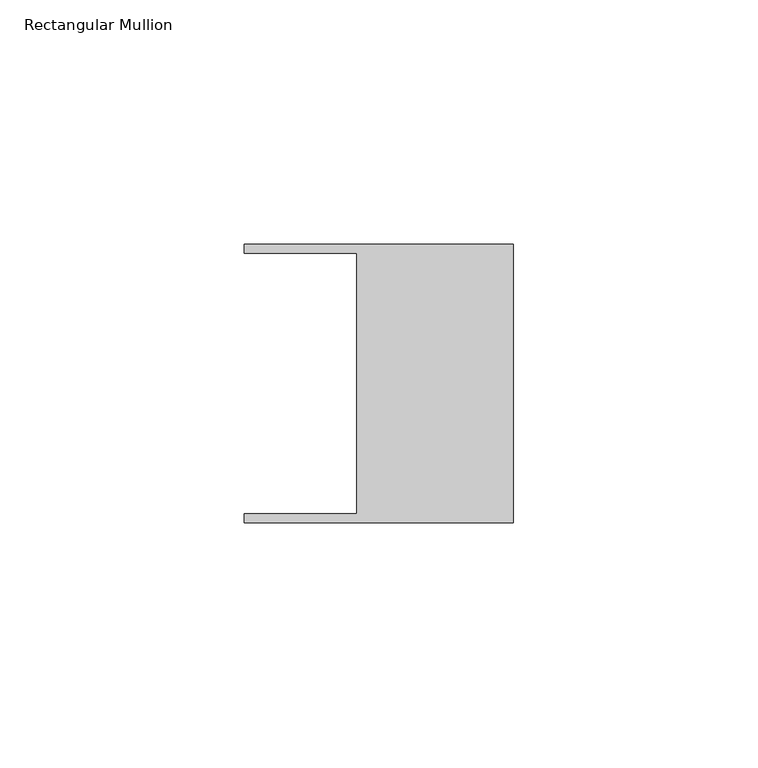
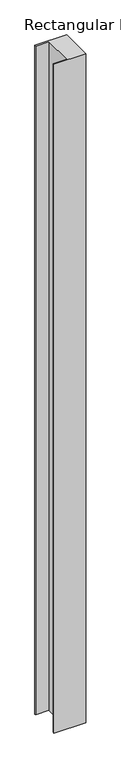
"""IFC4 building model written with IfcOpenShell, lengths in millimetres: member geometry, Rectangular Mullion."""

import ifcopenshell
import ifcopenshell.guid

model = None  # the IFC model being written
_history = None  # IfcOwnerHistory: only IFC2X3 demands one
_inside = {}  # id of a spatial element -> (the spatial element, [elements in it])
_under = {}  # id of a project, library or spatial element -> (it, [spatial elements below it])
_declared = {}  # id of a project -> (the project, [libraries it declares])
_typed = {}  # id of a type object -> (the type object, [elements of that type])
_made_of = {}  # id of a material, layer set ... -> (it, [elements and type objects made of it])


def new_model(schema):
    """Start an empty IFC model of exactly this schema.

    Asked for "IFC4X3", IfcOpenShell would pick the latest addendum, in which some entities
    have other attributes; the version numbers below select the first issue.
    IFC2X3 requires an IfcOwnerHistory on every rooted entity: one is made here for all.
    """
    global model, _history
    if schema == "IFC4X3":
        model = ifcopenshell.file(schema_version=(4, 3, 0, 0))
    else:
        model = ifcopenshell.file(schema=schema)
    _inside.clear()
    _under.clear()
    _declared.clear()
    _typed.clear()
    _made_of.clear()
    _history = None
    if model.schema == "IFC2X3":
        org = make("IfcOrganization", Name="unknown")
        user = make(
            "IfcPersonAndOrganization",
            ThePerson=make("IfcPerson", FamilyName="unknown"),
            TheOrganization=org,
        )
        app = make(
            "IfcApplication",
            ApplicationDeveloper=org,
            Version="unknown",
            ApplicationFullName="unknown",
            ApplicationIdentifier="unknown",
        )
        _history = make(
            "IfcOwnerHistory",
            OwningUser=user,
            OwningApplication=app,
            ChangeAction="ADDED",
            CreationDate=0,
        )
    return model


def make(cls, **values):
    """One entity of the class cls with the attributes given. An attribute that is None is left unset."""
    return model.create_entity(
        cls, **{name: value for name, value in values.items() if value is not None}
    )


def rooted(cls, **values):
    """An entity with a GlobalId (a new one), such as an element, a storey or a relation."""
    return make(cls, GlobalId=ifcopenshell.guid.new(), OwnerHistory=_history, **values)


def si_unit(unit_type, name, prefix=None):
    """IfcSIUnit, for example si_unit("LENGTHUNIT", "METRE", prefix="MILLI")."""
    return make("IfcSIUnit", UnitType=unit_type, Prefix=prefix, Name=name)


def assignment(units):
    """IfcUnitAssignment: the units of a project."""
    return None if units is None else make("IfcUnitAssignment", Units=units)


def point(xyz):
    """IfcCartesianPoint."""
    return None if xyz is None else make("IfcCartesianPoint", Coordinates=xyz)


def direction(xyz):
    """IfcDirection."""
    return None if xyz is None else make("IfcDirection", DirectionRatios=xyz)


def frame(location, z_axis=None, x_axis=None):
    """IfcAxis2Placement3D, a coordinate frame: its origin and axes. An axis left out is left unset."""
    return make(
        "IfcAxis2Placement3D",
        Location=point(location),
        Axis=direction(z_axis),
        RefDirection=direction(x_axis),
    )


def origin():
    """The frame at (0, 0, 0) with its axes left unset."""
    return frame((0.0, 0.0, 0.0))


def place(relative_to, where):
    """IfcLocalPlacement: puts the frame where relative to a parent placement (None: the world)."""
    return make(
        "IfcLocalPlacement", PlacementRelTo=relative_to, RelativePlacement=where
    )


def context(
    kind, dimensions, precision=None, world=None, true_north=None, identifier=None
):
    """IfcGeometricRepresentationContext, for example the 3D "Model" context."""
    return make(
        "IfcGeometricRepresentationContext",
        ContextIdentifier=identifier,
        ContextType=kind,
        CoordinateSpaceDimension=dimensions,
        Precision=precision,
        WorldCoordinateSystem=world,
        TrueNorth=true_north,
    )


def project(units=None, contexts=None):
    """IfcProject with its units and contexts."""
    return rooted(
        "IfcProject",
        Name="project",
        RepresentationContexts=contexts,
        UnitsInContext=assignment(units),
    )


def spatial(cls, under=None, at=None, **own):
    """A site, building, storey or space (cls), placed at a placement, below another one or the project."""
    s = rooted(cls, ObjectPlacement=at, **own)
    if under is not None:
        _under.setdefault(under.id(), (under, []))[1].append(s)
    return s


def polyline(points):
    """IfcPolyline through the points."""
    return make("IfcPolyline", Points=[point(p) for p in points])


def outline(outer, holes=None, kind="AREA"):
    """IfcArbitraryClosedProfileDef: a profile drawn as a closed curve; with holes, ...WithVoids."""
    if holes is None:
        return make("IfcArbitraryClosedProfileDef", ProfileType=kind, OuterCurve=outer)
    return make(
        "IfcArbitraryProfileDefWithVoids",
        ProfileType=kind,
        OuterCurve=outer,
        InnerCurves=holes,
    )


def extrude(swept, where, along, depth):
    """IfcExtrudedAreaSolid: the profile swept, set in the frame where, extruded along a direction by depth."""
    return make(
        "IfcExtrudedAreaSolid",
        SweptArea=swept,
        Position=where,
        ExtrudedDirection=direction(along),
        Depth=depth,
    )


def shape(context_of_items, identifier, shape_type, items):
    """IfcShapeRepresentation: the items that make up one representation, for example the "Body"."""
    return make(
        "IfcShapeRepresentation",
        ContextOfItems=context_of_items,
        RepresentationIdentifier=identifier,
        RepresentationType=shape_type,
        Items=items,
    )


def source(mapping_origin, context_of_items, identifier, shape_type, items):
    """IfcRepresentationMap: a shape defined once, which mapped items show again and again."""
    return make(
        "IfcRepresentationMap",
        MappingOrigin=mapping_origin,
        MappedRepresentation=shape(context_of_items, identifier, shape_type, items),
    )


def transform(
    local_origin,
    x_axis=None,
    y_axis=None,
    z_axis=None,
    scale=None,
    scale2=None,
    scale3=None,
    uniform=True,
):
    """IfcCartesianTransformationOperator3D, or its non-uniform kind. x_axis, y_axis, z_axis: its Axis1, 2, 3."""
    if uniform:
        return make(
            "IfcCartesianTransformationOperator3D",
            Axis1=direction(x_axis),
            Axis2=direction(y_axis),
            LocalOrigin=point(local_origin),
            Scale=scale,
            Axis3=direction(z_axis),
        )
    return make(
        "IfcCartesianTransformationOperator3DnonUniform",
        Axis1=direction(x_axis),
        Axis2=direction(y_axis),
        LocalOrigin=point(local_origin),
        Scale=scale,
        Axis3=direction(z_axis),
        Scale2=scale2,
        Scale3=scale3,
    )


def mapped(mapping_source, mapping_target):
    """IfcMappedItem: shows the shape of a source again, moved by a transform."""
    return make(
        "IfcMappedItem", MappingSource=mapping_source, MappingTarget=mapping_target
    )


def made_of(thing, what):
    """Note that an element or type object is made of a material, layer set ...; save() writes the relation."""
    if what is not None:
        _made_of.setdefault(what.id(), (what, []))[1].append(thing)
    return thing


def element(
    cls,
    number,
    at=None,
    inside=None,
    cuts=None,
    type_object=None,
    material=None,
    context=None,
    identifier="Body",
    shape_type=None,
    held_by="IfcProductDefinitionShape",
    body=None,
    shapes=None,
    **own,
):
    """One element of the class cls, such as IfcWall. Its Tag is "e" and its number.

    at: its placement. inside: the storey or other place that contains it. cuts: it is an
    opening in that element (IfcRelVoidsElement). A single representation is given by context,
    identifier, shape_type and body (its items); several are given by shapes. held_by: the class
    of the entity that holds the representations. save() writes the other relations.
    """
    e = rooted(cls, Tag="e%d" % number, ObjectPlacement=at, **own)
    if body is not None:
        shapes = [shape(context, identifier, shape_type, body)]
    if shapes is not None:
        e.Representation = make(held_by, Representations=shapes)
    if inside is not None:
        _inside.setdefault(inside.id(), (inside, []))[1].append(e)
    if cuts is not None:
        rooted(
            "IfcRelVoidsElement", RelatingBuildingElement=cuts, RelatedOpeningElement=e
        )
    if type_object is not None:
        _typed.setdefault(type_object.id(), (type_object, []))[1].append(e)
    return made_of(e, material)


def aggregate(whole, parts):
    """IfcRelAggregates: a whole, such as a stair, and the parts it consists of."""
    return rooted("IfcRelAggregates", RelatingObject=whole, RelatedObjects=parts)


def save(model, path):
    """Write the relations noted so far, then the file.

    IfcRelAggregates (storeys below a building ...), IfcRelContainedInSpatialStructure (elements
    in a storey), IfcRelDefinesByType, IfcRelAssociatesMaterial and IfcRelDeclares: one each for
    every whole, place, type object, material and project.
    """
    for whole, parts in _under.values():
        aggregate(whole, parts)
    for where, things in _inside.values():
        rooted(
            "IfcRelContainedInSpatialStructure",
            RelatedElements=things,
            RelatingStructure=where,
        )
    for kind, things in _typed.values():
        rooted("IfcRelDefinesByType", RelatedObjects=things, RelatingType=kind)
    for what, things in _made_of.values():
        rooted("IfcRelAssociatesMaterial", RelatedObjects=things, RelatingMaterial=what)
    for by, libraries in _declared.values():
        rooted("IfcRelDeclares", RelatingContext=by, RelatedDefinitions=libraries)
    model.write(path)


def rectangular_mullion_10403a27(model_context):
    return source(origin(), model_context, "Body", "SweptSolid", [
        extrude(outline(polyline([(-32.004, -26.67), (-32.004, 26.67), (-54.991, 26.67), (-54.991, 28.448), (0.0, 28.448), (0.0, -28.448), (-54.991, -28.448), (-54.991, -26.67), (-32.004, -26.67)])), frame((0.0, 0.0, -1219.2), z_axis=(0.0, 0.0, 1.0), x_axis=(1.0, 0.0, 0.0)), (0.0, 0.0, 1.0), 1219.2),
    ])


if __name__ == "__main__":
    model = new_model("IFC4")
    model_context = context("Model", 3, world=origin())
    ifc_project = project(units=[si_unit("LENGTHUNIT", "METRE", prefix="MILLI")], contexts=[model_context])
    site = spatial("IfcSite", under=ifc_project)
    building = spatial("IfcBuilding", under=site)
    placement = place(None, origin())
    rectangular_mullion_shape = rectangular_mullion_10403a27(model_context)
    element("IfcMember", 1, ObjectType="Rectangular Mullion", at=placement, inside=building, context=model_context, shape_type="MappedRepresentation", body=[
        mapped(rectangular_mullion_shape, transform((0.0, 0.0, 0.0), x_axis=(1.0, 0.0, 0.0), y_axis=(0.0, 1.0, 0.0), z_axis=(0.0, 0.0, 1.0))),
    ])
    save(model, "model.ifc")
